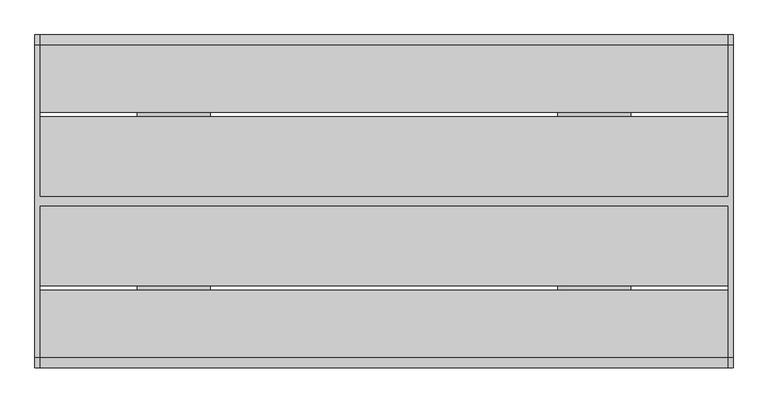
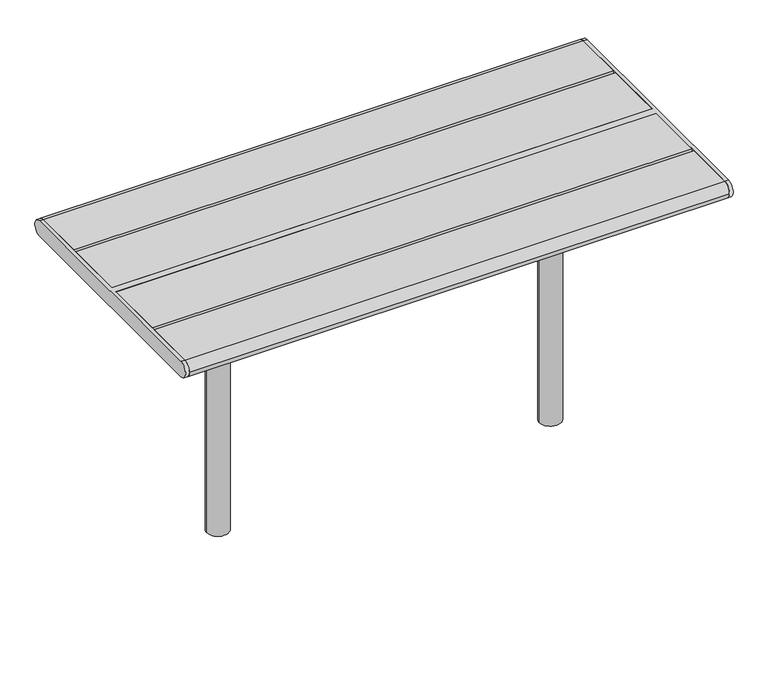
"""IFC4 building model written with IfcOpenShell, lengths in millimetres: furniture geometry."""

from ifc_helpers import new_model, si_unit, point, frame, frame_2d, origin, place, context, project, spatial, polyline, circle_curve, trimmed, segment, composite_curve, outline, extrude, source, transform, mapped, element, save
from ifc_brep_helpers import plane_surface, cylinder_surface, advanced_brep


def furniture_b7ccf74c(model_context):
    return source(origin(), model_context, "Body", "SolidModel", [
        advanced_brep(
        [(534.9914087, 125.0, 397.0), (534.9914087, 299.0, 397.0), (534.9914087, 299.0, 405.0), (534.9914087, -299.0, 405.0), (534.9914087, -299.0, 397.0), (534.9914087, -125.0, 397.0), (534.9914087, -125.0, 389.0), (534.9914087, 125.0, 389.0), (384.9914087, 125.0, 397.0), (384.9914087, 299.0, 397.0), (376.9914087, 299.0, 397.0), (376.9914087, 299.0, 405.0), (376.9914087, -299.0, 405.0), (376.9914087, -299.0, 397.0), (384.9914087, -299.0, 397.0), (384.9914087, -125.0, 397.0), (384.9914087, -125.0, 389.0), (384.9914087, 125.0, 389.0), (489.9914087, 0.0, 389.0), (429.9914087, 0.0, 389.0), (376.9914087, 45.0, 354.0), (376.9914087, -45.0, 354.0), (384.9914087, 45.0, 354.0), (384.9914087, -45.0, 354.0), (489.9914087, 0.0, -350.303316), (429.9914087, 0.0, -350.303316)],
        [
            (0, 1),
            (1, 2),
            (2, 3),
            (3, 4),
            (4, 5),
            (5, 6),
            (6, 7),
            (7, 0),
            (0, 8),
            (8, 9),
            (9, 1),
            (9, 10),
            (10, 11),
            (11, 2),
            (11, 12),
            (12, 3),
            (12, 13),
            (13, 14),
            (14, 4),
            (14, 15),
            (15, 5),
            (15, 16),
            (16, 6),
            (16, 17),
            (17, 7),
            (18, 19, circle_curve(frame((459.9914087, 0.0, 389.0), z_axis=(0.0, 0.0, 1.0), x_axis=(-1.0, 0.0, 0.0)), 30.0)),
            (19, 18, circle_curve(frame((459.9914087, 0.0, 389.0), z_axis=(0.0, 0.0, 1.0), x_axis=(-1.0, 0.0, 0.0)), 30.0)),
            (17, 8),
            (20, 21),
            (21, 13),
            (10, 20),
            (22, 9),
            (14, 23),
            (23, 22),
            (22, 20),
            (21, 23),
            (24, 25, circle_curve(frame((459.9914087, 0.0, -350.303316), z_axis=(0.0, 0.0, -1.0), x_axis=(-1.0, 0.0, 0.0)), 30.0)),
            (25, 24, circle_curve(frame((459.9914087, 0.0, -350.303316), z_axis=(0.0, 0.0, -1.0), x_axis=(-1.0, 0.0, 0.0)), 30.0)),
            (24, 18),
            (19, 25),
        ],
        [
            plane_surface(frame((534.9914087, 299.0, 397.0), z_axis=(1.0, 0.0, 0.0), x_axis=(0.0, -1.0, 0.0))),
            plane_surface(frame((384.9914087, 125.0, 397.0), z_axis=(0.0, 0.0, -1.0), x_axis=(1.0, 0.0, 0.0))),
            plane_surface(frame((384.9914087, 299.0, 397.0), z_axis=(0.0, 1.0, 0.0), x_axis=(1.0, 0.0, 0.0))),
            plane_surface(frame((384.9914087, 299.0, 405.0), z_axis=(0.0, 0.0, 1.0), x_axis=(1.0, 0.0, 0.0))),
            plane_surface(frame((384.9914087, -299.0, 405.0), z_axis=(0.0, -1.0, 0.0), x_axis=(1.0, 0.0, 0.0))),
            plane_surface(frame((384.9914087, -299.0, 397.0), z_axis=(0.0, 0.0, -1.0), x_axis=(1.0, 0.0, 0.0))),
            plane_surface(frame((384.9914087, -125.0, 397.0), z_axis=(0.0, -1.0, 0.0), x_axis=(1.0, 0.0, 0.0))),
            plane_surface(frame((384.9914087, -125.0, 389.0), z_axis=(0.0, 0.0, -1.0), x_axis=(1.0, 0.0, 0.0))),
            plane_surface(frame((384.9914087, 125.0, 389.0), z_axis=(0.0, 1.0, 0.0), x_axis=(1.0, 0.0, 0.0))),
            plane_surface(frame((376.9914087, 299.0, 397.0), z_axis=(-1.0, 0.0, 0.0), x_axis=(0.0, 0.9859710587294898, 0.16691636033609514))),
            plane_surface(frame((384.9914087, 299.0, 397.0), z_axis=(1.0, 0.0, 0.0), x_axis=(0.0, -0.9859710587294898, -0.16691636033609514))),
            plane_surface(frame((376.9914087, 45.0, 354.0), z_axis=(0.0, 0.16691636033609514, -0.9859710587294898), x_axis=(1.0, 0.0, 0.0))),
            plane_surface(frame((376.9914087, -299.0, 397.0), z_axis=(0.0, -0.16691636033609453, -0.9859710587294899), x_axis=(1.0, 0.0, 0.0))),
            plane_surface(frame((376.9914087, -45.0, 354.0), z_axis=(0.0, 0.0, -1.0), x_axis=(1.0, 0.0, 0.0))),
            plane_surface(frame((429.9914087, 0.0, -350.303316), z_axis=(0.0, 0.0, -1.0), x_axis=(0.0, -1.0, 0.0))),
            cylinder_surface(frame((459.9914087, 0.0, -350.303316), z_axis=(0.0, 0.0, 1.0), x_axis=(-1.0, 0.0, 0.0)), 30.0),
        ],
        [
            (0, [[1, 2, 3, 4, 5, 6, 7, 8]]),
            (1, [[9, 10, 11, -1]]),
            (2, [[-11, 12, 13, 14, -2]]),
            (3, [[-14, 15, 16, -3]]),
            (4, [[-16, 17, 18, 19, -4]]),
            (5, [[-19, 20, 21, -5]]),
            (6, [[-21, 22, 23, -6]]),
            (7, [[-23, 24, 25, -7], [26, 27]]),
            (8, [[-25, 28, -9, -8]]),
            (9, [[29, 30, -17, -15, -13, 31]]),
            (10, [[32, -10, -28, -24, -22, -20, 33, 34]]),
            (11, [[-12, -32, 35, -31]]),
            (12, [[36, -33, -18, -30]]),
            (13, [[-35, -34, -36, -29]]),
            (14, [[37, 38]]),
            (15, [[39, -27, 40, -37]]),
            (15, [[-40, -26, -39, -38]]),
        ],
    ),
        advanced_brep(
        [(-534.9914087, 125.0, 397.0), (-534.9914087, 125.0, 389.0), (-534.9914087, -125.0, 389.0), (-534.9914087, -125.0, 397.0), (-534.9914087, -299.0, 397.0), (-534.9914087, -299.0, 405.0), (-534.9914087, 299.0, 405.0), (-534.9914087, 299.0, 397.0), (-384.9914087, 299.0, 397.0), (-384.9914087, 125.0, 397.0), (-376.9914087, 299.0, 405.0), (-376.9914087, 299.0, 397.0), (-376.9914087, -299.0, 405.0), (-384.9914087, -299.0, 397.0), (-376.9914087, -299.0, 397.0), (-384.9914087, -125.0, 397.0), (-384.9914087, -125.0, 389.0), (-384.9914087, 125.0, 389.0), (-489.9914087, 0.0, 389.0), (-429.9914087, 0.0, 389.0), (-376.9914087, 45.0, 354.0), (-376.9914087, -45.0, 354.0), (-384.9914087, 45.0, 354.0), (-384.9914087, -45.0, 354.0), (-489.9914087, 0.0, -350.303316), (-429.9914087, 0.0, -350.303316)],
        [
            (0, 1),
            (1, 2),
            (2, 3),
            (3, 4),
            (4, 5),
            (5, 6),
            (6, 7),
            (7, 0),
            (7, 8),
            (8, 9),
            (9, 0),
            (6, 10),
            (10, 11),
            (11, 8),
            (5, 12),
            (12, 10),
            (4, 13),
            (13, 14),
            (14, 12),
            (3, 15),
            (15, 13),
            (2, 16),
            (16, 15),
            (1, 17),
            (17, 16),
            (18, 19, circle_curve(frame((-459.9914087, 0.0, 389.0), z_axis=(0.0, 0.0, 1.0), x_axis=(1.0, 0.0, 0.0)), 30.0)),
            (19, 18, circle_curve(frame((-459.9914087, 0.0, 389.0), z_axis=(0.0, 0.0, 1.0), x_axis=(1.0, 0.0, 0.0)), 30.0)),
            (9, 17),
            (20, 11),
            (14, 21),
            (21, 20),
            (22, 23),
            (23, 13),
            (8, 22),
            (20, 22),
            (23, 21),
            (24, 25, circle_curve(frame((-459.9914087, 0.0, -350.303316), z_axis=(0.0, 0.0, -1.0), x_axis=(1.0, 0.0, 0.0)), 30.0)),
            (25, 24, circle_curve(frame((-459.9914087, 0.0, -350.303316), z_axis=(0.0, 0.0, -1.0), x_axis=(1.0, 0.0, 0.0)), 30.0)),
            (25, 19),
            (18, 24),
        ],
        [
            plane_surface(frame((-534.9914087, 299.0, 397.0), z_axis=(-1.0, 0.0, 0.0), x_axis=(0.0, -1.0, 0.0))),
            plane_surface(frame((-384.9914087, 125.0, 397.0), z_axis=(0.0, 0.0, -1.0), x_axis=(-1.0, 0.0, 0.0))),
            plane_surface(frame((-384.9914087, 299.0, 397.0), z_axis=(0.0, 1.0, 0.0), x_axis=(-1.0, 0.0, 0.0))),
            plane_surface(frame((-384.9914087, 299.0, 405.0), z_axis=(0.0, 0.0, 1.0), x_axis=(-1.0, 0.0, 0.0))),
            plane_surface(frame((-384.9914087, -299.0, 405.0), z_axis=(0.0, -1.0, 0.0), x_axis=(-1.0, 0.0, 0.0))),
            plane_surface(frame((-384.9914087, -299.0, 397.0), z_axis=(0.0, 0.0, -1.0), x_axis=(-1.0, 0.0, 0.0))),
            plane_surface(frame((-384.9914087, -125.0, 397.0), z_axis=(0.0, -1.0, 0.0), x_axis=(-1.0, 0.0, 0.0))),
            plane_surface(frame((-384.9914087, -125.0, 389.0), z_axis=(0.0, 0.0, -1.0), x_axis=(-1.0, 0.0, 0.0))),
            plane_surface(frame((-384.9914087, 125.0, 389.0), z_axis=(0.0, 1.0, 0.0), x_axis=(-1.0, 0.0, 0.0))),
            plane_surface(frame((-376.9914087, 299.0, 397.0), z_axis=(1.0, 0.0, 0.0), x_axis=(0.0, 0.9859710587294898, 0.16691636033609514))),
            plane_surface(frame((-384.9914087, 299.0, 397.0), z_axis=(-1.0, 0.0, 0.0), x_axis=(0.0, -0.9859710587294898, -0.16691636033609514))),
            plane_surface(frame((-376.9914087, 45.0, 354.0), z_axis=(0.0, 0.16691636033609514, -0.9859710587294898), x_axis=(-1.0, 0.0, 0.0))),
            plane_surface(frame((-376.9914087, -299.0, 397.0), z_axis=(0.0, -0.16691636033609453, -0.9859710587294899), x_axis=(-1.0, 0.0, 0.0))),
            plane_surface(frame((-376.9914087, -45.0, 354.0), z_axis=(0.0, 0.0, -1.0), x_axis=(-1.0, 0.0, 0.0))),
            plane_surface(frame((-429.9914087, 0.0, -350.303316), z_axis=(0.0, 0.0, -1.0), x_axis=(0.0, -1.0, 0.0))),
            cylinder_surface(frame((-459.9914087, 0.0, -350.303316), z_axis=(0.0, 0.0, 1.0), x_axis=(1.0, 0.0, 0.0)), 30.0),
        ],
        [
            (0, [[1, 2, 3, 4, 5, 6, 7, 8]]),
            (1, [[-8, 9, 10, 11]]),
            (2, [[-7, 12, 13, 14, -9]]),
            (3, [[-6, 15, 16, -12]]),
            (4, [[-5, 17, 18, 19, -15]]),
            (5, [[-4, 20, 21, -17]]),
            (6, [[-3, 22, 23, -20]]),
            (7, [[-2, 24, 25, -22], [26, 27]]),
            (8, [[-1, -11, 28, -24]]),
            (9, [[29, -13, -16, -19, 30, 31]]),
            (10, [[32, 33, -21, -23, -25, -28, -10, 34]]),
            (11, [[-29, 35, -34, -14]]),
            (12, [[-30, -18, -33, 36]]),
            (13, [[-31, -36, -32, -35]]),
            (14, [[37, 38]]),
            (15, [[-38, 39, -26, 40]]),
            (15, [[-37, -40, -27, -39]]),
        ],
    ),
        advanced_brep(
        [(757.0, 338.5, 450.0), (757.0, -338.5, 450.0), (757.0, -338.5, 405.0), (757.0, 338.5, 405.0), (747.0, 338.5, 450.0), (747.0, 338.5, 405.0), (747.0, 10.0, 405.0), (747.0, 10.0, 450.0), (747.0, -338.5, 405.0), (747.0, -338.5, 450.0), (747.0, -10.0, 450.0), (747.0, -10.0, 405.0), (-747.0, 10.0, 450.0), (-747.0, 338.5, 450.0), (-757.0, 338.5, 450.0), (-757.0, -338.5, 450.0), (-747.0, -338.5, 450.0), (-747.0, -10.0, 450.0), (-747.0, -10.0, 405.0), (-747.0, -338.5, 405.0), (-757.0, -338.5, 405.0), (-757.0, 338.5, 405.0), (-747.0, 338.5, 405.0), (-747.0, 10.0, 405.0)],
        [
            (0, 1),
            (1, 2, circle_curve(frame((757.0, -338.5, 427.5), z_axis=(1.0, 0.0, 0.0), x_axis=(0.0, -1.0, 0.0)), 22.5)),
            (2, 3),
            (3, 0, circle_curve(frame((757.0, 338.5, 427.5), z_axis=(1.0, 0.0, 0.0), x_axis=(0.0, -1.0, 0.0)), 22.5)),
            (4, 5, circle_curve(frame((747.0, 338.5, 427.5), z_axis=(-1.0, 0.0, 0.0), x_axis=(0.0, -1.0, 0.0)), 22.5)),
            (5, 6),
            (6, 7),
            (7, 4),
            (8, 9, circle_curve(frame((747.0, -338.5, 427.5), z_axis=(-1.0, 0.0, 0.0), x_axis=(0.0, -1.0, 0.0)), 22.5)),
            (9, 10),
            (10, 11),
            (11, 8),
            (0, 4),
            (7, 12),
            (12, 13),
            (13, 14),
            (14, 15),
            (15, 16),
            (16, 17),
            (17, 10),
            (9, 1),
            (8, 2),
            (11, 18),
            (18, 19),
            (19, 20),
            (20, 21),
            (21, 22),
            (22, 23),
            (23, 6),
            (5, 3),
            (17, 18),
            (23, 12),
            (16, 19, circle_curve(frame((-747.0, -338.5, 427.5), z_axis=(1.0, 0.0, 0.0), x_axis=(0.0, -1.0, 0.0)), 22.5)),
            (22, 13, circle_curve(frame((-747.0, 338.5, 427.5), z_axis=(1.0, 0.0, 0.0), x_axis=(0.0, -1.0, 0.0)), 22.5)),
            (14, 21, circle_curve(frame((-757.0, 338.5, 427.5), z_axis=(-1.0, 0.0, 0.0), x_axis=(0.0, -1.0, 0.0)), 22.5)),
            (20, 15, circle_curve(frame((-757.0, -338.5, 427.5), z_axis=(-1.0, 0.0, 0.0), x_axis=(0.0, -1.0, 0.0)), 22.5)),
        ],
        [
            plane_surface(frame((757.0, -338.5, 450.0), z_axis=(1.0, 0.0, 0.0), x_axis=(0.0, -1.0, 0.0))),
            plane_surface(frame((747.0, -338.5, 450.0), z_axis=(-1.0, 0.0, 0.0), x_axis=(0.0, 1.0, 0.0))),
            plane_surface(frame((757.0, 338.5, 450.0), z_axis=(0.0, 0.0, 1.0), x_axis=(-1.0, 0.0, 0.0))),
            cylinder_surface(frame((747.0, -338.5, 427.5), z_axis=(1.0, 0.0, 0.0), x_axis=(0.0, -1.0, 0.0)), 22.5),
            plane_surface(frame((757.0, -338.5, 405.0), z_axis=(0.0, 0.0, -1.0), x_axis=(-1.0, 0.0, 0.0))),
            cylinder_surface(frame((747.0, 338.5, 427.5), z_axis=(1.0, 0.0, 0.0), x_axis=(0.0, -1.0, 0.0)), 22.5),
            plane_surface(frame((747.0, -10.0, 450.0), z_axis=(0.0, -1.0, 0.0), x_axis=(-1.0, 0.0, 0.0))),
            plane_surface(frame((747.0, 10.0, 405.0), z_axis=(0.0, 1.0, 0.0), x_axis=(-1.0, 0.0, 0.0))),
            plane_surface(frame((-747.0, -338.5, 450.0), z_axis=(1.0, 0.0, 0.0), x_axis=(0.0, -1.0, 0.0))),
            plane_surface(frame((-757.0, -338.5, 450.0), z_axis=(-1.0, 0.0, 0.0), x_axis=(0.0, 1.0, 0.0))),
            cylinder_surface(frame((-757.0, -338.5, 427.5), z_axis=(1.0, 0.0, 0.0), x_axis=(0.0, -1.0, 0.0)), 22.5),
            cylinder_surface(frame((-757.0, 338.5, 427.5), z_axis=(1.0, 0.0, 0.0), x_axis=(0.0, -1.0, 0.0)), 22.5),
        ],
        [
            (0, [[1, 2, 3, 4]]),
            (1, [[5, 6, 7, 8]]),
            (1, [[9, 10, 11, 12]]),
            (2, [[-1, 13, -8, 14, 15, 16, 17, 18, 19, 20, -10, 21]]),
            (3, [[-2, -21, -9, 22]]),
            (4, [[-3, -22, -12, 23, 24, 25, 26, 27, 28, 29, -6, 30]]),
            (5, [[-4, -30, -5, -13]]),
            (6, [[-20, 31, -23, -11]]),
            (7, [[-29, 32, -14, -7]]),
            (8, [[33, -24, -31, -19]]),
            (8, [[34, -15, -32, -28]]),
            (9, [[35, -26, 36, -17]]),
            (10, [[-33, -18, -36, -25]]),
            (11, [[-34, -27, -35, -16]]),
        ],
    ),
        extrude(outline(composite_curve([segment(trimmed(circle_curve(frame_2d((338.5, 427.5)), 22.5), [point((338.5, 450.0))], [point((338.5, 405.0))], False, "CARTESIAN"), True, "CONTINUOUS"), segment(polyline([(338.5, 405.0), (193.0, 405.0), (193.0, 450.0), (338.5, 450.0)]), True, "CONTINUOUS")], self_intersect=False)), frame((-747.0, 0.0, 0.0), z_axis=(1.0, 0.0, 0.0), x_axis=(0.0, 1.0, 0.0)), (0.0, 0.0, 1.0), 1494.0),
        extrude(outline(composite_curve([segment(polyline([(-193.0, 405.0), (-338.5, 405.0)]), True, "CONTINUOUS"), segment(trimmed(circle_curve(frame_2d((-338.5, 427.5)), 22.5), [point((-338.5, 405.0))], [point((-361.0, 427.5))], False, "CARTESIAN"), True, "CONTINUOUS"), segment(trimmed(circle_curve(frame_2d((-338.5, 427.5)), 22.5), [point((-361.0, 427.5))], [point((-338.5, 450.0))], False, "CARTESIAN"), True, "CONTINUOUS"), segment(polyline([(-338.5, 450.0), (-193.0, 450.0), (-193.0, 405.0)]), True, "CONTINUOUS")], self_intersect=False)), frame((-747.0, 0.0, 0.0), z_axis=(1.0, 0.0, 0.0), x_axis=(0.0, 1.0, 0.0)), (0.0, 0.0, 1.0), 1494.0),
        extrude(outline(polyline([(747.0, 183.0), (747.0, 10.0), (-747.0, 10.0), (-747.0, 183.0), (747.0, 183.0)])), frame((0.0, 0.0, 405.0), z_axis=(0.0, 0.0, 1.0), x_axis=(1.0, 0.0, 0.0)), (0.0, 0.0, 1.0), 45.0),
        extrude(outline(polyline([(747.0, -10.0), (747.0, -183.0), (-747.0, -183.0), (-747.0, -10.0), (747.0, -10.0)])), frame((0.0, 0.0, 405.0), z_axis=(0.0, 0.0, 1.0), x_axis=(1.0, 0.0, 0.0)), (0.0, 0.0, 1.0), 45.0),
    ])


if __name__ == "__main__":
    model = new_model("IFC4")
    model_context = context("Model", 3, world=origin())
    ifc_project = project(units=[si_unit("LENGTHUNIT", "METRE", prefix="MILLI")], contexts=[model_context])
    site = spatial("IfcSite", under=ifc_project)
    building = spatial("IfcBuilding", under=site)
    placement = place(None, origin())
    furniture_shape = furniture_b7ccf74c(model_context)
    element("IfcFurniture", 1, at=placement, inside=building, context=model_context, shape_type="MappedRepresentation", body=[
        mapped(furniture_shape, transform((0.0, 0.0, 0.0), x_axis=(1.0, 0.0, 0.0), y_axis=(0.0, 1.0, 0.0), z_axis=(0.0, 0.0, 1.0))),
    ])
    save(model, "model.ifc")
